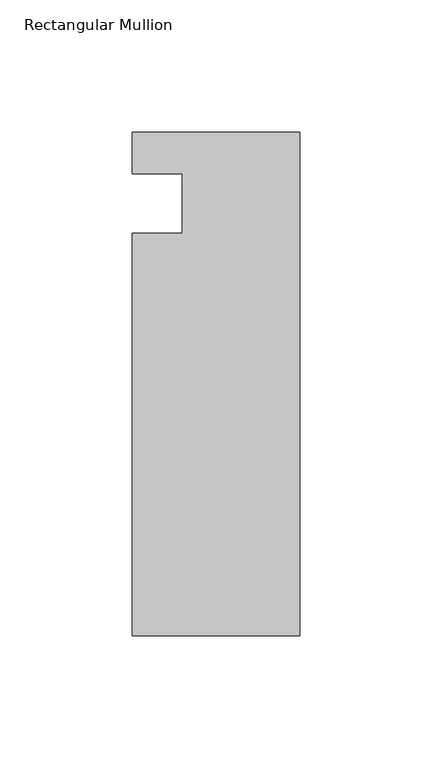
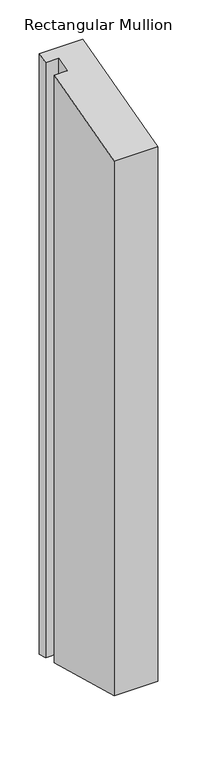
"""IFC4 building model written with IfcOpenShell, lengths in millimetres: member geometry, Rectangular Mullion."""

from ifc_helpers import new_model, si_unit, origin, place, context, project, spatial, faceted_brep, source, transform, mapped, element, save


def rectangular_mullion_f80740fe(model_context):
    return source(origin(), model_context, "Body", "Brep", [
        faceted_brep([(-198.4248, 4.9172812, 1.3175815), (-198.4248, 20.7668812, 5.5644691), (-198.4248, 20.7668812, -926.48271), (-198.4248, 4.9172812, -922.2358225), (-179.3748, 4.9172813, 1.3175815), (-179.3748, 4.9172813, -922.2358225), (-179.3748, -17.5617188, -4.7056484), (-179.3748, -17.5617188, -916.2125926), (-198.4248, -17.5617188, -4.7056484), (-198.4248, -17.5617188, -916.2125926), (-198.4248, -169.9617188, -45.5411053), (-198.4248, -169.9617188, -875.3771357), (-134.9248, -169.9617188, -45.5411053), (-134.9248, -169.9617188, -875.3771357), (-134.9248, 20.7668813, 5.5644691), (-134.9248, 20.7668813, -926.48271)], [[[0, 1, 2, 3]], [[4, 0, 3, 5]], [[6, 4, 5, 7]], [[8, 6, 7, 9]], [[10, 8, 9, 11]], [[12, 10, 11, 13]], [[14, 12, 13, 15]], [[1, 14, 15, 2]], [[1, 0, 4, 6, 8, 10, 12, 14]], [[2, 15, 13, 11, 9, 7, 5, 3]]]),
    ])


if __name__ == "__main__":
    model = new_model("IFC4")
    model_context = context("Model", 3, world=origin())
    ifc_project = project(units=[si_unit("LENGTHUNIT", "METRE", prefix="MILLI")], contexts=[model_context])
    site = spatial("IfcSite", under=ifc_project)
    building = spatial("IfcBuilding", under=site)
    placement = place(None, origin())
    rectangular_mullion_shape = rectangular_mullion_f80740fe(model_context)
    element("IfcMember", 1, ObjectType="Rectangular Mullion", at=placement, inside=building, context=model_context, shape_type="MappedRepresentation", body=[
        mapped(rectangular_mullion_shape, transform((0.0, 0.0, 0.0), x_axis=(1.0, 0.0, 0.0), y_axis=(0.0, 1.0, 0.0), z_axis=(0.0, 0.0, 1.0))),
    ])
    save(model, "model.ifc")
